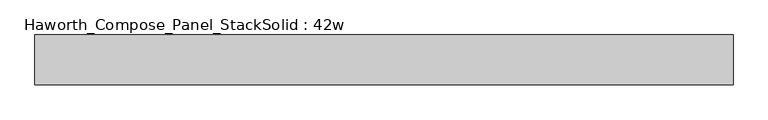
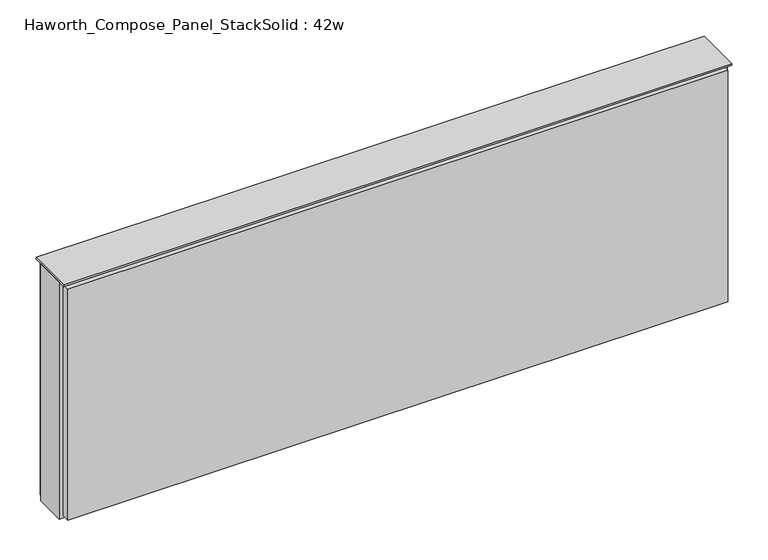
"""IFC4 building model written with IfcOpenShell, lengths in millimetres: furniture geometry, Haworth_Compose_Panel_StackSolid : 42w."""

from ifc_helpers import new_model, si_unit, frame, origin, place, context, project, spatial, polyline, outline, extrude, source, transform, mapped, element, save


def haworth_compose_panel_stacksolid_42w_8938b221(model_context):
    return source(origin(), model_context, "Body", "SweptSolid", [
        extrude(outline(polyline([(529.4902902, 38.1), (529.4902902, 25.4), (-524.6097098, 25.4), (-524.6097098, 38.1), (529.4902902, 38.1)])), frame((0.0, 0.0, 1066.8), z_axis=(0.0, 0.0, 1.0), x_axis=(1.0, 0.0, 0.0)), (0.0, 0.0, 1.0), 390.525),
        extrude(outline(polyline([(529.4902902, -38.1), (-524.6097098, -38.1), (-524.6097098, -25.4), (529.4902902, -25.4), (529.4902902, -38.1)])), frame((0.0, 0.0, 1069.975), z_axis=(0.0, 0.0, 1.0), x_axis=(1.0, 0.0, 0.0)), (0.0, 0.0, 1.0), 390.525),
        extrude(outline(polyline([(535.8402902, 25.4), (535.8402902, -25.4), (-530.9597098, -25.4), (-530.9597098, 25.4), (535.8402902, 25.4)])), frame((0.0, 0.0, 1066.8), z_axis=(0.0, 0.0, 1.0), x_axis=(1.0, 0.0, 0.0)), (0.0, 0.0, 1.0), 400.05),
        extrude(outline(polyline([(-530.9597098, -38.1), (-530.9597098, 38.1), (535.8402902, 38.1), (535.8402902, -38.1), (-530.9597098, -38.1)])), frame((0.0, 0.0, 1466.85), z_axis=(0.0, 0.0, 1.0), x_axis=(1.0, 0.0, 0.0)), (0.0, 0.0, 1.0), 3.175),
    ])


if __name__ == "__main__":
    model = new_model("IFC4")
    model_context = context("Model", 3, world=origin())
    ifc_project = project(units=[si_unit("LENGTHUNIT", "METRE", prefix="MILLI")], contexts=[model_context])
    site = spatial("IfcSite", under=ifc_project)
    building = spatial("IfcBuilding", under=site)
    placement = place(None, origin())
    haworth_compose_panel_stacksolid_42w_shape = haworth_compose_panel_stacksolid_42w_8938b221(model_context)
    element("IfcFurniture", 1, ObjectType="Haworth_Compose_Panel_StackSolid : 42w", at=placement, inside=building, context=model_context, shape_type="MappedRepresentation", body=[
        mapped(haworth_compose_panel_stacksolid_42w_shape, transform((0.0, 0.0, 0.0), x_axis=(1.0, 0.0, 0.0), y_axis=(0.0, 1.0, 0.0), z_axis=(0.0, 0.0, 1.0))),
    ])
    save(model, "model.ifc")
